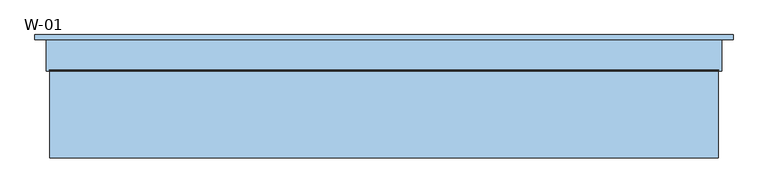
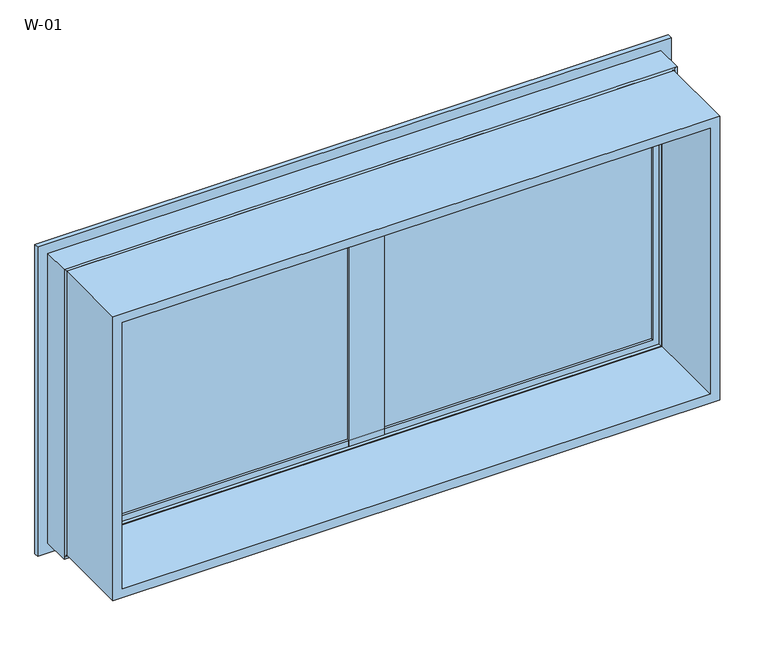
"""IFC4 building model written with IfcOpenShell, lengths in millimetres: window geometry, W-01."""

from ifc_helpers import new_model, si_unit, frame, origin, place, context, project, spatial, polyline, ellipse_curve, outline, extrude, source, transform, mapped, element, save
from ifc_brep_helpers import plane_surface, cylinder_surface, revolved_surface, advanced_brep


def w_01_45a94fae(model_context):
    return source(origin(), model_context, "Body", "SolidModel", [
        extrude(outline(polyline([(573.0, 74.4), (22.0, 74.4), (22.0, 100.4), (573.0, 100.4), (573.0, 74.4)])), frame((0.0, 0.0, 1427.0), z_axis=(0.0, 0.0, 1.0), x_axis=(1.0, 0.0, 0.0)), (0.0, 0.0, 1.0), 566.0),
        extrude(outline(polyline([(1993.8, 593.8), (1993.8, -593.8), (1406.2, -593.8), (1406.2, 593.8), (1993.8, 593.8)]), holes=[polyline([(1424.7, 575.3), (1424.7, -575.3), (1975.3, -575.3), (1975.3, 575.3), (1424.7, 575.3)])]), frame((0.0, -100.0, 0.0), z_axis=(0.0, 1.0, 0.0), x_axis=(0.0, 0.0, 1.0)), (0.0, 0.0, 1.0), 165.9999813),
        extrude(outline(polyline([(-22.0, 74.4), (-573.0, 74.4), (-573.0, 100.4), (-22.0, 100.4), (-22.0, 74.4)])), frame((0.0, 0.0, 1427.0), z_axis=(0.0, 0.0, 1.0), x_axis=(1.0, 0.0, 0.0)), (0.0, 0.0, 1.0), 566.0),
        advanced_brep(
        [(-560.0, 107.7228474, 1960.0), (-557.8575034, 100.3927452, 1957.8575034), (-557.8575034, 100.3927452, 1442.1424966), (-560.0, 107.7228474, 1440.0), (-560.0, 118.9999377, 1960.0), (-560.0, 118.9999377, 1440.0), (-580.0, 100.3927452, 1980.0), (-580.0, 118.9999377, 1980.0), (-580.0, 118.9999377, 1420.0), (-580.0, 100.3927452, 1420.0), (-37.1424966, 100.3927452, 1442.1424966), (-35.0, 107.7228474, 1440.0), (-35.0, 118.9999377, 1440.0), (-15.0, 118.9999377, 1420.0), (-15.0, 100.3927452, 1420.0), (-37.1424966, 100.3927452, 1957.8575034), (-35.0, 107.7228474, 1960.0), (-35.0, 118.9999377, 1960.0), (-15.0, 118.9999377, 1980.0), (-15.0, 100.3927452, 1980.0)],
        [
            (0, 1, ellipse_curve(frame((-540.3925883, 109.4756835, 1940.3925883), z_axis=(0.7071067811865475, 0.0, 0.7071067811865475), x_axis=(0.7071067811865474, 0.0, -0.7071067811865476)), 27.839649, 19.6856046)),
            (1, 2),
            (2, 3, ellipse_curve(frame((-540.3925883, 109.4756835, 1459.6074117), z_axis=(0.7071067811865475, 0.0, -0.7071067811865475), x_axis=(-0.7071067811865474, 0.0, -0.7071067811865476)), 27.839649, 19.6856046)),
            (3, 0),
            (4, 0),
            (3, 5),
            (5, 4),
            (6, 7),
            (7, 8),
            (8, 9),
            (9, 6),
            (2, 10),
            (10, 11, ellipse_curve(frame((-54.6074117, 109.4756835, 1459.6074117), z_axis=(0.7071067811865475, 0.0, 0.7071067811865475), x_axis=(0.7071067811865476, 0.0, -0.7071067811865474)), 27.839649, 19.6856046)),
            (11, 3),
            (11, 12),
            (12, 5),
            (8, 13),
            (13, 14),
            (14, 9),
            (10, 15),
            (15, 16, ellipse_curve(frame((-54.6074117, 109.4756835, 1940.3925883), z_axis=(-0.7071067811865475, 0.0, 0.7071067811865475), x_axis=(0.7071067811865474, 0.0, 0.7071067811865476)), 27.839649, 19.6856046)),
            (16, 11),
            (16, 17),
            (17, 12),
            (13, 18),
            (18, 19),
            (19, 14),
            (19, 6),
            (1, 15),
            (0, 16),
            (4, 17),
            (7, 18),
        ],
        [
            revolved_surface(polyline([(-560.0781929000001, 109.4756835, 1439.921807106247), (-560.0781929000001, 109.4756835, 1960.0781928937533)]), (-540.3925883, 109.4756835, 1980.0), (0.0, 0.0, -1.0)),
            plane_surface(frame((-560.0, 107.7228474, 1960.0), z_axis=(1.0, 0.0, 0.0), x_axis=(0.0, 0.0, -1.0))),
            plane_surface(frame((-580.0, 118.9999377, 1980.0), z_axis=(-1.0, 0.0, 0.0), x_axis=(0.0, 0.0, -1.0))),
            revolved_surface(polyline([(-34.921807106246774, 109.4756835, 1439.9218071), (-560.0781928937533, 109.4756835, 1439.9218071)]), (-580.0, 109.4756835, 1459.6074117), (1.0, 0.0, 0.0)),
            plane_surface(frame((-560.0, 107.7228474, 1440.0), z_axis=(0.0, 0.0, 1.0), x_axis=(1.0, 0.0, 0.0))),
            plane_surface(frame((-580.0, 118.9999377, 1420.0), z_axis=(0.0, 0.0, -1.0), x_axis=(1.0, 0.0, 0.0))),
            revolved_surface(polyline([(-34.921807099999995, 109.4756835, 1960.078192893753), (-34.921807099999995, 109.4756835, 1439.921807106247)]), (-54.6074117, 109.4756835, 1420.0), (0.0, 0.0, 1.0)),
            plane_surface(frame((-35.0, 107.7228474, 1440.0), z_axis=(-1.0, 0.0, 0.0), x_axis=(0.0, 0.0, 1.0))),
            plane_surface(frame((-15.0, 118.9999377, 1420.0), z_axis=(1.0, 0.0, 0.0), x_axis=(0.0, 0.0, 1.0))),
            plane_surface(frame((-15.0, 100.3927452, 1980.0), z_axis=(0.0, -1.0, 0.0), x_axis=(-1.0, 0.0, 0.0))),
            revolved_surface(polyline([(-560.0781928937533, 109.4756835, 1960.0781929), (-34.92180710624672, 109.4756835, 1960.0781929)]), (-15.0, 109.4756835, 1940.3925883), (-1.0, 0.0, 0.0)),
            plane_surface(frame((-35.0, 107.7228474, 1960.0), z_axis=(0.0, 0.0, -1.0), x_axis=(-1.0, 0.0, 0.0))),
            plane_surface(frame((-35.0, 118.9999377, 1960.0), z_axis=(0.0, 1.0, 0.0), x_axis=(-1.0, 0.0, 0.0))),
            plane_surface(frame((-15.0, 118.9999377, 1980.0), z_axis=(0.0, 0.0, 1.0), x_axis=(-1.0, 0.0, 0.0))),
        ],
        [
            (0, [[1, 2, 3, 4]]),
            (1, [[5, -4, 6, 7]]),
            (2, [[8, 9, 10, 11]]),
            (3, [[-3, 12, 13, 14]]),
            (4, [[-6, -14, 15, 16]]),
            (5, [[-10, 17, 18, 19]]),
            (6, [[-13, 20, 21, 22]]),
            (7, [[-15, -22, 23, 24]]),
            (8, [[-18, 25, 26, 27]]),
            (9, [[-19, -27, 28, -11], [29, -20, -12, -2]]),
            (10, [[-21, -29, -1, 30]]),
            (11, [[-23, -30, -5, 31]]),
            (12, [[32, -25, -17, -9], [-16, -24, -31, -7]]),
            (13, [[-26, -32, -8, -28]]),
        ],
    ),
        extrude(outline(polyline([(-35.0000348, 68.9990172), (-35.0000348, 72.5990172), (-15.0000187, 72.5990172), (-15.0000187, 118.9999375), (15.0000187, 118.9999375), (15.0000187, 72.5990172), (35.0000026, 72.5990172), (35.0000026, 68.9990172), (-35.0000348, 68.9990172)])), frame((0.0, 0.0, 1420.0), z_axis=(0.0, 0.0, 1.0), x_axis=(1.0, 0.0, 0.0)), (0.0, 0.0, 1.0), 560.0),
        advanced_brep(
        [(560.0, 107.7228474, 1960.0), (560.0, 107.7228474, 1440.0), (557.8575034, 100.3927452, 1442.1424966), (557.8575034, 100.3927452, 1957.8575034), (560.0, 118.9999377, 1960.0), (560.0, 118.9999377, 1440.0), (580.0, 100.3927452, 1980.0), (580.0, 100.3927452, 1420.0), (580.0, 118.9999377, 1420.0), (580.0, 118.9999377, 1980.0), (35.0, 107.7228474, 1440.0), (37.1424966, 100.3927452, 1442.1424966), (35.0, 118.9999377, 1440.0), (15.0, 100.3927452, 1420.0), (15.0, 118.9999377, 1420.0), (35.0, 107.7228474, 1960.0), (37.1424966, 100.3927452, 1957.8575034), (35.0, 118.9999377, 1960.0), (15.0, 100.3927452, 1980.0), (15.0, 118.9999377, 1980.0)],
        [
            (0, 1),
            (1, 2, ellipse_curve(frame((540.3925883, 109.4756835, 1459.6074117), z_axis=(-0.7071067811865475, 0.0, -0.7071067811865475), x_axis=(0.7071067811865474, 0.0, -0.7071067811865476)), 27.839649, 19.6856046)),
            (2, 3),
            (3, 0, ellipse_curve(frame((540.3925883, 109.4756835, 1940.3925883), z_axis=(-0.7071067811865475, 0.0, 0.7071067811865475), x_axis=(-0.7071067811865474, 0.0, -0.7071067811865476)), 27.839649, 19.6856046)),
            (4, 5),
            (5, 1),
            (0, 4),
            (6, 7),
            (7, 8),
            (8, 9),
            (9, 6),
            (1, 10),
            (10, 11, ellipse_curve(frame((54.6074117, 109.4756835, 1459.6074117), z_axis=(-0.7071067811865475, 0.0, 0.7071067811865475), x_axis=(-0.7071067811865476, 0.0, -0.7071067811865474)), 27.839649, 19.6856046)),
            (11, 2),
            (5, 12),
            (12, 10),
            (7, 13),
            (13, 14),
            (14, 8),
            (10, 15),
            (15, 16, ellipse_curve(frame((54.6074117, 109.4756835, 1940.3925883), z_axis=(0.7071067811865475, 0.0, 0.7071067811865475), x_axis=(-0.7071067811865474, 0.0, 0.7071067811865476)), 27.839649, 19.6856046)),
            (16, 11),
            (12, 17),
            (17, 15),
            (13, 18),
            (18, 19),
            (19, 14),
            (6, 18),
            (16, 3),
            (15, 0),
            (17, 4),
            (19, 9),
        ],
        [
            revolved_surface(polyline([(560.0781929000001, 109.4756835, 1439.921807106247), (560.0781929000001, 109.4756835, 1960.0781928937533)]), (540.3925883, 109.4756835, 1980.0), (0.0, 0.0, -1.0)),
            plane_surface(frame((560.0, 107.7228474, 1960.0), z_axis=(-1.0, 0.0, 0.0), x_axis=(0.0, 0.0, -1.0))),
            plane_surface(frame((580.0, 118.9999377, 1980.0), z_axis=(1.0, 0.0, 0.0), x_axis=(0.0, 0.0, -1.0))),
            revolved_surface(polyline([(34.921807106246774, 109.4756835, 1439.9218071), (560.0781928937533, 109.4756835, 1439.9218071)]), (580.0, 109.4756835, 1459.6074117), (-1.0, 0.0, 0.0)),
            plane_surface(frame((560.0, 107.7228474, 1440.0), z_axis=(0.0, 0.0, 1.0), x_axis=(-1.0, 0.0, 0.0))),
            plane_surface(frame((580.0, 118.9999377, 1420.0), z_axis=(0.0, 0.0, -1.0), x_axis=(-1.0, 0.0, 0.0))),
            revolved_surface(polyline([(34.921807099999995, 109.4756835, 1960.078192893753), (34.921807099999995, 109.4756835, 1439.921807106247)]), (54.6074117, 109.4756835, 1420.0), (0.0, 0.0, 1.0)),
            plane_surface(frame((35.0, 107.7228474, 1440.0), z_axis=(1.0, 0.0, 0.0), x_axis=(0.0, 0.0, 1.0))),
            plane_surface(frame((15.0, 118.9999377, 1420.0), z_axis=(-1.0, 0.0, 0.0), x_axis=(0.0, 0.0, 1.0))),
            plane_surface(frame((15.0, 100.3927452, 1980.0), z_axis=(0.0, -1.0, 0.0), x_axis=(1.0, 0.0, 0.0))),
            revolved_surface(polyline([(560.0781928937533, 109.4756835, 1960.0781929), (34.92180710624672, 109.4756835, 1960.0781929)]), (15.0, 109.4756835, 1940.3925883), (1.0, 0.0, 0.0)),
            plane_surface(frame((35.0, 107.7228474, 1960.0), z_axis=(0.0, 0.0, -1.0), x_axis=(1.0, 0.0, 0.0))),
            plane_surface(frame((35.0, 118.9999377, 1960.0), z_axis=(0.0, 1.0, 0.0), x_axis=(1.0, 0.0, 0.0))),
            plane_surface(frame((15.0, 118.9999377, 1980.0), z_axis=(0.0, 0.0, 1.0), x_axis=(1.0, 0.0, 0.0))),
        ],
        [
            (0, [[1, 2, 3, 4]]),
            (1, [[5, 6, -1, 7]]),
            (2, [[8, 9, 10, 11]]),
            (3, [[12, 13, 14, -2]]),
            (4, [[15, 16, -12, -6]]),
            (5, [[17, 18, 19, -9]]),
            (6, [[20, 21, 22, -13]]),
            (7, [[23, 24, -20, -16]]),
            (8, [[25, 26, 27, -18]]),
            (9, [[-8, 28, -25, -17], [-3, -14, -22, 29]]),
            (10, [[30, -4, -29, -21]]),
            (11, [[31, -7, -30, -24]]),
            (12, [[-10, -19, -27, 32], [-5, -31, -23, -15]]),
            (13, [[-28, -11, -32, -26]]),
        ],
    ),
        advanced_brep(
        [(620.000038, 110.0, 2020.000038), (620.000038, 110.0, 1379.999962), (620.000038, 118.9999375, 1379.999962), (620.000038, 118.9999375, 2020.000038), (-620.000038, 118.9999375, 2020.000038), (-620.000038, 118.9999375, 1379.999962), (580.0000396, 118.9999375, 1980.0000396), (-580.0000396, 118.9999375, 1980.0000396), (-580.0000396, 118.9999375, 1419.9999604), (580.0000396, 118.9999375, 1419.9999604), (-620.000038, 110.0, 1379.999962), (-620.000038, 110.0, 2020.000038), (-600.0, 110.0, 2000.0), (600.0, 110.0, 2000.0), (600.0, 110.0, 1400.0), (-600.0, 110.0, 1400.0), (600.0, 54.8507969, 2000.0), (600.0, 54.8507969, 1400.0), (-600.0, 54.8507969, 1400.0), (595.0001465, 54.8506112, 1995.0001465), (595.0001465, 54.8506112, 1404.9998535), (-595.0001465, 54.8506112, 1404.9998535), (595.0001465, 56.5920405, 1995.0001465), (595.0001465, 56.5920405, 1404.9998535), (-595.0001465, 56.5920405, 1404.9998535), (593.8001794, 56.5908144, 1993.8001794), (593.8001794, 56.5908144, 1406.1998206), (-593.8001794, 56.5908144, 1406.1998206), (593.8001794, 65.9999813, 1993.8001794), (593.8001794, 65.9999813, 1406.1998206), (-593.8001794, 65.9999813, 1406.1998206), (-593.8001794, 65.9999813, 1993.8001794), (-574.2001794, 65.9999813, 1974.2001794), (574.2001794, 65.9999813, 1974.2001794), (574.2001794, 65.9999813, 1425.7998206), (-574.2001794, 65.9999813, 1425.7998206), (574.2001794, 61.9999728, 1974.2001794), (574.2001794, 61.9999728, 1425.7998206), (-574.2001794, 61.9999728, 1425.7998206), (-574.2001794, 61.9999728, 1974.2001794), (-572.6156704, 61.9999728, 1972.6156704), (572.6156704, 61.9999728, 1972.6156704), (572.6156704, 61.9999728, 1427.3843296), (-572.6156704, 61.9999728, 1427.3843296), (572.8755675, 68.9999299, 1972.8755675), (572.8755675, 68.9999299, 1427.1244325), (-572.8755675, 68.9999299, 1427.1244325), (-572.8755675, 68.9999299, 1972.8755675), (-560.0002274, 68.9999299, 1960.0002274), (560.0002274, 68.9999299, 1960.0002274), (560.0002274, 68.9999299, 1439.9997726), (-560.0002274, 68.9999299, 1439.9997726), (560.0002274, 72.5999758, 1960.0002274), (560.0002274, 72.5999758, 1439.9997726), (-560.0002274, 72.5999758, 1439.9997726), (-580.0000396, 72.5999758, 1980.0000396), (580.0000396, 72.5999758, 1980.0000396), (580.0000396, 72.5999758, 1419.9999604), (-580.0000396, 72.5999758, 1419.9999604), (-560.0002274, 72.5999758, 1960.0002274), (-600.0, 54.8507969, 2000.0), (-595.0001465, 54.8506112, 1995.0001465), (-595.0001465, 56.5920405, 1995.0001465), (-593.8001794, 56.5908144, 1993.8001794)],
        [
            (0, 1),
            (1, 2),
            (2, 3),
            (3, 0),
            (4, 3),
            (2, 5),
            (5, 4),
            (6, 7),
            (7, 8),
            (8, 9),
            (9, 6),
            (1, 10),
            (10, 5),
            (0, 11),
            (11, 10),
            (12, 13),
            (13, 14),
            (14, 15),
            (15, 12),
            (16, 17),
            (17, 14),
            (13, 16),
            (17, 18),
            (18, 15),
            (19, 20),
            (20, 17, ellipse_curve(frame((597.5001465, 52.8785929, 1402.4998535), z_axis=(-0.7071067811865475, 0.0, -0.7071067811865475), x_axis=(0.7071067811865474, 0.0, -0.7071067811865476)), 4.5030781, 3.184157)),
            (16, 19, ellipse_curve(frame((597.5001465, 52.8785929, 1997.5001465), z_axis=(-0.7071067811865475, 0.0, 0.7071067811865475), x_axis=(-0.7071067811865474, 0.0, -0.7071067811865476)), 4.5030781, 3.184157)),
            (20, 21),
            (21, 18, ellipse_curve(frame((-597.5001465, 52.8785929, 1402.4998535), z_axis=(-0.7071067811865475, 0.0, 0.7071067811865475), x_axis=(-0.7071067811865476, 0.0, -0.7071067811865474)), 4.5030781, 3.184157)),
            (22, 23),
            (23, 20),
            (19, 22),
            (23, 24),
            (24, 21),
            (25, 26),
            (26, 23, ellipse_curve(frame((594.4001534, 56.6007652, 1405.5998466), z_axis=(0.7071067811865475, 0.0, 0.7071067811865475), x_axis=(-0.7071067811865474, 0.0, 0.7071067811865476)), 0.8486081, 0.6000566)),
            (22, 25, ellipse_curve(frame((594.4001534, 56.6007652, 1994.4001534), z_axis=(0.7071067811865475, 0.0, -0.7071067811865475), x_axis=(0.7071067811865474, 0.0, 0.7071067811865476)), 0.8486081, 0.6000566)),
            (26, 27),
            (27, 24, ellipse_curve(frame((-594.4001534, 56.6007652, 1405.5998466), z_axis=(0.7071067811865475, 0.0, -0.7071067811865475), x_axis=(0.7071067811865476, 0.0, 0.7071067811865474)), 0.8486081, 0.6000566)),
            (28, 29),
            (29, 26),
            (25, 28),
            (29, 30),
            (30, 27),
            (28, 31),
            (31, 30),
            (32, 33),
            (33, 34),
            (34, 35),
            (35, 32),
            (36, 37),
            (37, 34),
            (33, 36),
            (37, 38),
            (38, 35),
            (36, 39),
            (39, 38),
            (40, 41),
            (41, 42),
            (42, 43),
            (43, 40),
            (44, 45),
            (45, 42),
            (41, 44),
            (45, 46),
            (46, 43),
            (44, 47),
            (47, 46),
            (48, 49),
            (49, 50),
            (50, 51),
            (51, 48),
            (52, 53),
            (53, 50),
            (49, 52),
            (53, 54),
            (54, 51),
            (55, 56),
            (56, 57),
            (57, 58),
            (58, 55),
            (52, 59),
            (59, 54),
            (9, 57),
            (56, 6),
            (8, 58),
            (11, 4),
            (18, 60),
            (60, 12),
            (21, 61),
            (61, 60, ellipse_curve(frame((-597.5001465, 52.8785929, 1997.5001465), z_axis=(0.7071067811865475, 0.0, 0.7071067811865475), x_axis=(-0.7071067811865474, 0.0, 0.7071067811865476)), 4.5030781, 3.184157)),
            (24, 62),
            (62, 61),
            (27, 63),
            (63, 62, ellipse_curve(frame((-594.4001534, 56.6007652, 1994.4001534), z_axis=(-0.7071067811865475, 0.0, -0.7071067811865475), x_axis=(0.7071067811865474, 0.0, -0.7071067811865476)), 0.8486081, 0.6000566)),
            (31, 63),
            (39, 32),
            (47, 40),
            (59, 48),
            (7, 55),
            (60, 16),
            (61, 19),
            (62, 22),
            (63, 25),
        ],
        [
            plane_surface(frame((620.000038, 118.9999375, 2020.000038), z_axis=(1.0, 0.0, 0.0), x_axis=(0.0, 0.0, -1.0))),
            plane_surface(frame((-580.0000396, 118.9999375, 1419.9999604), z_axis=(0.0, 1.0, 0.0), x_axis=(0.0, 0.0, 1.0))),
            plane_surface(frame((620.000038, 118.9999375, 1379.999962), z_axis=(0.0, 0.0, -1.0), x_axis=(-1.0, 0.0, 0.0))),
            plane_surface(frame((-620.000038, 110.0, 1379.999962), z_axis=(0.0, -1.0, 0.0), x_axis=(0.0, 0.0, 1.0))),
            plane_surface(frame((600.0, 110.0, 2000.0), z_axis=(1.0, 0.0, 0.0), x_axis=(0.0, 0.0, -1.0))),
            plane_surface(frame((600.0, 110.0, 1400.0), z_axis=(0.0, 0.0, -1.0), x_axis=(-1.0, 0.0, 0.0))),
            revolved_surface(polyline([(600.6843035, 52.8785929, 1399.3156964392774), (600.6843035, 52.8785929, 2000.6843035607226)]), (597.5001465, 52.8785929, 2000.0), (0.0, 0.0, -1.0)),
            revolved_surface(polyline([(-600.6843035607226, 52.8785929, 1399.3156965), (600.6843035607227, 52.8785929, 1399.3156965)]), (600.0, 52.8785929, 1402.4998535), (-1.0, 0.0, 0.0)),
            plane_surface(frame((595.0001465, 54.8506112, 1995.0001465), z_axis=(-1.0, 0.0, 0.0), x_axis=(0.0, 0.0, -1.0))),
            plane_surface(frame((595.0001465, 54.8506112, 1404.9998535), z_axis=(0.0, 0.0, 1.0), x_axis=(-1.0, 0.0, 0.0))),
            cylinder_surface(frame((594.4001534, 56.6007652, 2000.0), z_axis=(0.0, 0.0, 1.0), x_axis=(1.0, 0.0, 0.0)), 0.6000566),
            cylinder_surface(frame((600.0, 56.6007652, 1405.5998466), z_axis=(1.0, 0.0, 0.0), x_axis=(0.0, 0.0, -1.0)), 0.6000566),
            plane_surface(frame((593.8001794, 56.5908144, 1993.8001794), z_axis=(-1.0, 0.0, 0.0), x_axis=(0.0, 0.0, -1.0))),
            plane_surface(frame((593.8001794, 56.5908144, 1406.1998206), z_axis=(0.0, 0.0, 1.0), x_axis=(-1.0, 0.0, 0.0))),
            plane_surface(frame((-593.8001794, 65.9999813, 1406.1998206), z_axis=(0.0, -1.0, 0.0), x_axis=(0.0, 0.0, 1.0))),
            plane_surface(frame((574.2001794, 65.9999813, 1974.2001794), z_axis=(1.0, 0.0, 0.0), x_axis=(0.0, 0.0, -1.0))),
            plane_surface(frame((574.2001794, 65.9999813, 1425.7998206), z_axis=(0.0, 0.0, -1.0), x_axis=(-1.0, 0.0, 0.0))),
            plane_surface(frame((-574.2001794, 61.9999728, 1425.7998206), z_axis=(0.0, -1.0, 0.0), x_axis=(0.0, 0.0, 1.0))),
            plane_surface(frame((572.6156704, 61.9999728, 1972.6156704), z_axis=(-0.9993114533203381, 0.0371028201460986, 0.0), x_axis=(0.0, 0.0, -1.0))),
            plane_surface(frame((572.6156704, 61.9999728, 1427.3843296), z_axis=(0.0, 0.03710282014609248, 0.9993114533203383), x_axis=(-1.0, 0.0, 0.0))),
            plane_surface(frame((-572.8755675, 68.9999299, 1427.1244325), z_axis=(0.0, -1.0, 0.0), x_axis=(0.0, 0.0, 1.0))),
            plane_surface(frame((560.0002274, 68.9999299, 1960.0002274), z_axis=(-1.0, 0.0, 0.0), x_axis=(0.0, 0.0, -1.0))),
            plane_surface(frame((560.0002274, 68.9999299, 1439.9997726), z_axis=(0.0, 0.0, 1.0), x_axis=(-1.0, 0.0, 0.0))),
            plane_surface(frame((-560.0002274, 72.5999758, 1439.9997726), z_axis=(0.0, 1.0, 0.0), x_axis=(0.0, 0.0, 1.0))),
            plane_surface(frame((580.0000396, 72.5999758, 1980.0000396), z_axis=(-1.0, 0.0, 0.0), x_axis=(0.0, 0.0, -1.0))),
            plane_surface(frame((580.0000396, 72.5999758, 1419.9999604), z_axis=(0.0, 0.0, 1.0), x_axis=(-1.0, 0.0, 0.0))),
            plane_surface(frame((-620.000038, 118.9999375, 1379.999962), z_axis=(-1.0, 0.0, 0.0), x_axis=(0.0, 0.0, 1.0))),
            plane_surface(frame((-600.0, 110.0, 1400.0), z_axis=(-1.0, 0.0, 0.0), x_axis=(0.0, 0.0, 1.0))),
            revolved_surface(polyline([(-600.6843035, 52.8785929, 2000.6843035607226), (-600.6843035, 52.8785929, 1399.3156964392774)]), (-597.5001465, 52.8785929, 1400.0), (0.0, 0.0, 1.0)),
            plane_surface(frame((-595.0001465, 54.8506112, 1404.9998535), z_axis=(1.0, 0.0, 0.0), x_axis=(0.0, 0.0, 1.0))),
            cylinder_surface(frame((-594.4001534, 56.6007652, 1400.0), z_axis=(0.0, 0.0, -1.0), x_axis=(-1.0, 0.0, 0.0)), 0.6000566),
            plane_surface(frame((-593.8001794, 56.5908144, 1406.1998206), z_axis=(1.0, 0.0, 0.0), x_axis=(0.0, 0.0, 1.0))),
            plane_surface(frame((-574.2001794, 65.9999813, 1425.7998206), z_axis=(-1.0, 0.0, 0.0), x_axis=(0.0, 0.0, 1.0))),
            plane_surface(frame((-572.6156704, 61.9999728, 1427.3843296), z_axis=(0.9993114533203385, 0.03710282014608636, 0.0), x_axis=(0.0, 0.0, 1.0))),
            plane_surface(frame((-560.0002274, 68.9999299, 1439.9997726), z_axis=(1.0, 0.0, 0.0), x_axis=(0.0, 0.0, 1.0))),
            plane_surface(frame((-580.0000396, 72.5999758, 1419.9999604), z_axis=(1.0, 0.0, 0.0), x_axis=(0.0, 0.0, 1.0))),
            plane_surface(frame((-620.000038, 118.9999375, 2020.000038), z_axis=(0.0, 0.0, 1.0), x_axis=(1.0, 0.0, 0.0))),
            plane_surface(frame((-600.0, 110.0, 2000.0), z_axis=(0.0, 0.0, 1.0), x_axis=(1.0, 0.0, 0.0))),
            revolved_surface(polyline([(600.6843035607226, 52.8785929, 2000.6843035), (-600.6843035607227, 52.8785929, 2000.6843035)]), (-600.0, 52.8785929, 1997.5001465), (1.0, 0.0, 0.0)),
            plane_surface(frame((-595.0001465, 54.8506112, 1995.0001465), z_axis=(0.0, 0.0, -1.0), x_axis=(1.0, 0.0, 0.0))),
            cylinder_surface(frame((-600.0, 56.6007652, 1994.4001534), z_axis=(-1.0, 0.0, 0.0), x_axis=(0.0, 0.0, 1.0)), 0.6000566),
            plane_surface(frame((-593.8001794, 56.5908144, 1993.8001794), z_axis=(0.0, 0.0, -1.0), x_axis=(1.0, 0.0, 0.0))),
            plane_surface(frame((-574.2001794, 65.9999813, 1974.2001794), z_axis=(0.0, 0.0, 1.0), x_axis=(1.0, 0.0, 0.0))),
            plane_surface(frame((-572.6156704, 61.9999728, 1972.6156704), z_axis=(0.0, 0.03710282014609248, -0.9993114533203383), x_axis=(1.0, 0.0, 0.0))),
            plane_surface(frame((-560.0002274, 68.9999299, 1960.0002274), z_axis=(0.0, 0.0, -1.0), x_axis=(1.0, 0.0, 0.0))),
            plane_surface(frame((-580.0000396, 72.5999758, 1980.0000396), z_axis=(0.0, 0.0, -1.0), x_axis=(1.0, 0.0, 0.0))),
        ],
        [
            (0, [[1, 2, 3, 4]]),
            (1, [[5, -3, 6, 7], [8, 9, 10, 11]]),
            (2, [[12, 13, -6, -2]]),
            (3, [[14, 15, -12, -1], [16, 17, 18, 19]]),
            (4, [[20, 21, -17, 22]]),
            (5, [[23, 24, -18, -21]]),
            (6, [[25, 26, -20, 27]]),
            (7, [[28, 29, -23, -26]]),
            (8, [[30, 31, -25, 32]]),
            (9, [[33, 34, -28, -31]]),
            (10, [[35, 36, -30, 37]]),
            (11, [[38, 39, -33, -36]]),
            (12, [[40, 41, -35, 42]]),
            (13, [[43, 44, -38, -41]]),
            (14, [[45, 46, -43, -40], [47, 48, 49, 50]]),
            (15, [[51, 52, -48, 53]]),
            (16, [[54, 55, -49, -52]]),
            (17, [[56, 57, -54, -51], [58, 59, 60, 61]]),
            (18, [[62, 63, -59, 64]]),
            (19, [[65, 66, -60, -63]]),
            (20, [[67, 68, -65, -62], [69, 70, 71, 72]]),
            (21, [[73, 74, -70, 75]]),
            (22, [[76, 77, -71, -74]]),
            (23, [[78, 79, 80, 81], [82, 83, -76, -73]]),
            (24, [[-11, 84, -79, 85]]),
            (25, [[-10, 86, -80, -84]]),
            (26, [[-15, 87, -7, -13]]),
            (27, [[88, 89, -19, -24]]),
            (28, [[90, 91, -88, -29]]),
            (29, [[92, 93, -90, -34]]),
            (30, [[94, 95, -92, -39]]),
            (31, [[-46, 96, -94, -44]]),
            (32, [[-57, 97, -50, -55]]),
            (33, [[-68, 98, -61, -66]]),
            (34, [[-83, 99, -72, -77]]),
            (35, [[-9, 100, -81, -86]]),
            (36, [[-14, -4, -5, -87]]),
            (37, [[101, -22, -16, -89]]),
            (38, [[102, -27, -101, -91]]),
            (39, [[103, -32, -102, -93]]),
            (40, [[104, -37, -103, -95]]),
            (41, [[-45, -42, -104, -96]]),
            (42, [[-56, -53, -47, -97]]),
            (43, [[-67, -64, -58, -98]]),
            (44, [[-82, -75, -69, -99]]),
            (45, [[-8, -85, -78, -100]]),
        ],
    ),
    ])


if __name__ == "__main__":
    model = new_model("IFC4")
    model_context = context("Model", 3, world=origin())
    ifc_project = project(units=[si_unit("LENGTHUNIT", "METRE", prefix="MILLI")], contexts=[model_context])
    site = spatial("IfcSite", under=ifc_project)
    building = spatial("IfcBuilding", under=site)
    placement = place(None, origin())
    w_01_shape = w_01_45a94fae(model_context)
    element("IfcWindow", 1, ObjectType="W-01", at=placement, inside=building, context=model_context, shape_type="MappedRepresentation", body=[
        mapped(w_01_shape, transform((0.0, 0.0, 0.0), x_axis=(1.0, 0.0, 0.0), y_axis=(0.0, 1.0, 0.0), z_axis=(0.0, 0.0, 1.0))),
    ])
    save(model, "model.ifc")
